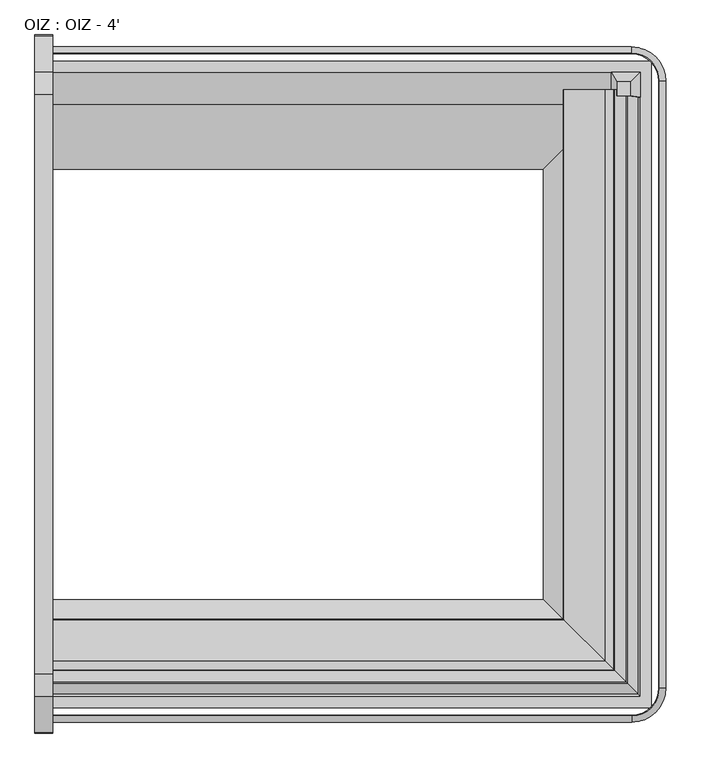
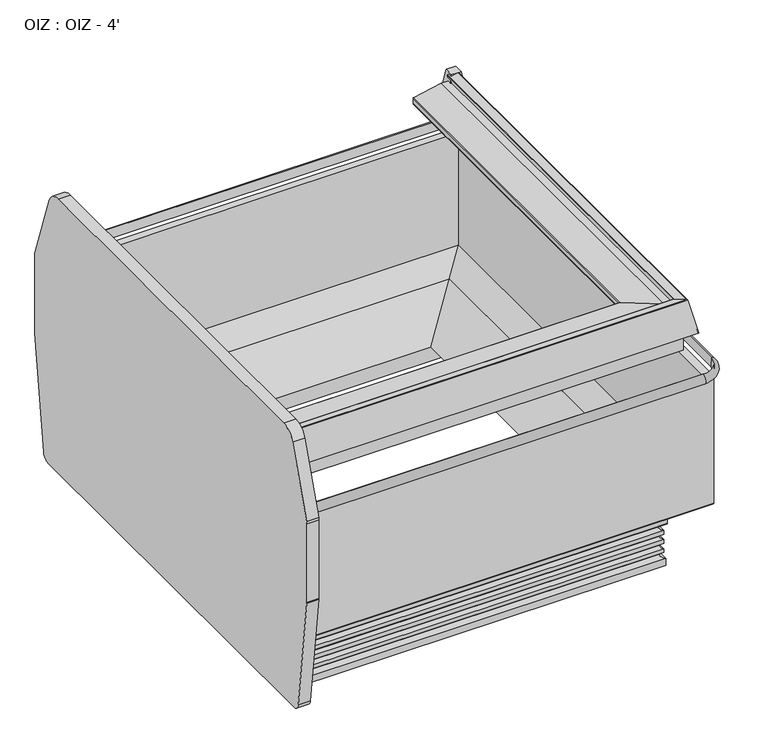
"""IFC4 building model written with IfcOpenShell, lengths in millimetres: proxy geometry, OIZ : OIZ - 4'."""

from ifc_helpers import new_model, si_unit, point, frame, frame_2d, origin, place, context, project, spatial, polyline, circle_curve, ellipse_curve, trimmed, segment, composite_curve, outline, extrude, faceted_brep, source, transform, mapped, element, save
from ifc_brep_helpers import plane_surface, cylinder_surface, revolved_surface, advanced_brep


def oiz_oiz_4_f251fb82(model_context):
    return source(origin(), model_context, "Body", "SolidModel", [
        extrude(outline(composite_curve([segment(trimmed(circle_curve(frame_2d((-348.839267, 447.3139893)), 25.4), [point((-323.439267, 447.3139893))], [point((-323.6463094, 444.0774966))], False, "CARTESIAN"), True, "CONTINUOUS"), segment(polyline([(-323.6463094, 444.0774966), (-371.1378667, 74.401771)]), True, "CONTINUOUS"), segment(trimmed(circle_curve(frame_2d((-396.3308243, 77.6382637)), 25.4), [point((-371.1378667, 74.401771))], [point((-396.3308243, 52.2382637))], False, "CARTESIAN"), True, "CONTINUOUS"), segment(polyline([(-396.3308243, 52.2382637), (-1744.0393488, 52.2382637)]), True, "CONTINUOUS"), segment(trimmed(circle_curve(frame_2d((-1744.0393488, 77.6382637)), 25.4), [point((-1744.0393488, 52.2382637))], [point((-1769.2323064, 74.401771))], False, "CARTESIAN"), True, "CONTINUOUS"), segment(polyline([(-1769.2323064, 74.401771), (-1816.7238637, 444.0774966)]), True, "CONTINUOUS"), segment(trimmed(circle_curve(frame_2d((-1791.530906, 447.3139893)), 25.4), [point((-1816.7238637, 444.0774966))], [point((-1816.930906, 447.3139893))], False, "CARTESIAN"), True, "CONTINUOUS"), segment(polyline([(-1816.930906, 447.3139893), (-1816.930906, 709.7837524)]), True, "CONTINUOUS"), segment(trimmed(circle_curve(frame_2d((-1791.530906, 709.7837524)), 25.4), [point((-1816.930906, 709.7837524))], [point((-1815.4781786, 718.2506372))], False, "CARTESIAN"), True, "CONTINUOUS"), segment(polyline([(-1815.4781786, 718.2506372), (-1737.902464, 937.6615333)]), True, "CONTINUOUS"), segment(trimmed(circle_curve(frame_2d((-1690.007919, 920.7277637)), 50.8), [point((-1737.902464, 937.6615333))], [point((-1690.007919, 971.5277637))], False, "CARTESIAN"), True, "CONTINUOUS"), segment(polyline([(-1690.007919, 971.5277637), (-450.3622541, 971.5277637)]), True, "CONTINUOUS"), segment(trimmed(circle_curve(frame_2d((-450.3622541, 920.7277637)), 50.8), [point((-450.3622541, 971.5277637))], [point((-402.467709, 937.6615333))], False, "CARTESIAN"), True, "CONTINUOUS"), segment(polyline([(-402.467709, 937.6615333), (-324.8919945, 718.2506372)]), True, "CONTINUOUS"), segment(trimmed(circle_curve(frame_2d((-348.839267, 709.7837524)), 25.4), [point((-324.8919945, 718.2506372))], [point((-323.439267, 709.7837524))], False, "CARTESIAN"), True, "CONTINUOUS"), segment(polyline([(-323.439267, 709.7837524), (-323.439267, 447.3139893)]), True, "CONTINUOUS")], self_intersect=False)), frame((-38.1, 0.0, 0.0), z_axis=(1.0, 0.0, 0.0), x_axis=(0.0, 1.0, 0.0)), (0.0, 0.0, 1.0), 38.1),
        faceted_brep([(1237.92346, -453.3410498, 953.5924566), (1237.92346, -423.9461673, 953.5924566), (1207.2527577, -423.9461673, 953.5924566), (1207.2527577, -453.3410498, 953.5924566), (1258.100354, -456.3510322, 847.1075065), (1195.4734801, -456.3510322, 847.1075065), (1195.4734801, -403.7692733, 847.1075065), (1258.100354, -403.7692733, 847.1075065)], [[[0, 1, 2, 3]], [[4, 5, 6, 7]], [[5, 4, 0, 3]], [[6, 5, 3, 2]], [[7, 6, 2, 1]], [[4, 7, 1, 0]]]),
        advanced_brep(
        [(0.0, -1669.8693202, 193.2181695), (0.0, -1669.8693202, 286.9854386), (0.0, -1531.4154874, 190.7162695), (0.0, -1667.3674202, 190.7162695), (1189.0996929, -1669.8693202, 193.2181695), (1189.0996929, -1669.8693202, 286.9854386), (1050.6458601, -1531.4154874, 190.7162695), (1050.6458601, -611.2237672, 190.7162695), (0.0, -611.2237672, 190.7162695), (0.0, -475.2718344, 190.7162695), (1186.5977929, -475.2718344, 190.7162695), (1186.5977929, -1667.3674202, 190.7162695), (1189.0996929, -472.7699344, 193.2181695), (1189.0996929, -472.7699344, 286.9854386), (0.0, -472.7699344, 193.2181695), (0.0, -472.7699344, 286.9854386)],
        [
            (0, 1),
            (1, 2),
            (2, 3),
            (3, 0, circle_curve(frame((0.0, -1667.3674202, 193.2181695), z_axis=(-1.0, 0.0, 0.0), x_axis=(0.0, 1.0, 0.0)), 2.5019)),
            (0, 4),
            (4, 5),
            (5, 1),
            (5, 6),
            (6, 2),
            (6, 7),
            (7, 8),
            (8, 9),
            (9, 10),
            (10, 11),
            (11, 3),
            (11, 4, ellipse_curve(frame((1186.5977929, -1667.3674202, 193.2181695), z_axis=(-0.7071067811865475, -0.7071067811865475, 0.0), x_axis=(-0.7071067811865476, 0.7071067811865474, 0.0)), 3.5382209, 2.5019)),
            (4, 12),
            (12, 13),
            (13, 5),
            (13, 7),
            (10, 12, ellipse_curve(frame((1186.5977929, -475.2718344, 193.2181695), z_axis=(0.7071067811865475, -0.7071067811865475, 0.0), x_axis=(-0.7071067811865474, -0.7071067811865476, 0.0)), 3.5382209, 2.5019)),
            (14, 9, circle_curve(frame((0.0, -475.2718344, 193.2181695), z_axis=(-1.0, 0.0, 0.0), x_axis=(0.0, -1.0, 0.0)), 2.5019)),
            (8, 15),
            (15, 14),
            (12, 14),
            (15, 13),
        ],
        [
            plane_surface(frame((0.0, -1793.6321273, 50.2442522), z_axis=(-1.0, 0.0, 0.0), x_axis=(0.0, 0.0, 1.0))),
            plane_surface(frame((0.0, -1669.8693202, 193.2181695), z_axis=(0.0, -1.0, 0.0), x_axis=(1.0, 0.0, 0.0))),
            plane_surface(frame((0.0, -1669.8693202, 286.9854386), z_axis=(0.0, 0.5708784896060812, 0.8210345608469107), x_axis=(1.0, 0.0, 0.0))),
            plane_surface(frame((0.0, -1531.4154874, 190.7162695), z_axis=(0.0, 0.0, -1.0), x_axis=(1.0, 0.0, 0.0))),
            cylinder_surface(frame((0.0, -1667.3674202, 193.2181695), z_axis=(-1.0, 0.0, 0.0), x_axis=(0.0, 1.0, 0.0)), 2.5019),
            plane_surface(frame((1189.0996929, -1669.8693202, 193.2181695), z_axis=(1.0, 0.0, 0.0), x_axis=(0.0, 1.0, 0.0))),
            plane_surface(frame((1189.0996929, -1669.8693202, 286.9854386), z_axis=(-0.5708784896060812, 0.0, 0.8210345608469107), x_axis=(0.0, 1.0, 0.0))),
            cylinder_surface(frame((1186.5977929, -1793.6321273, 193.2181695), z_axis=(0.0, -1.0, 0.0), x_axis=(-1.0, 0.0, 0.0)), 2.5019),
            plane_surface(frame((0.0, -349.0071273, 50.2442522), z_axis=(-1.0, 0.0, 0.0), x_axis=(0.0, 0.0, 1.0))),
            plane_surface(frame((1189.0996929, -472.7699344, 193.2181695), z_axis=(0.0, 1.0, 0.0), x_axis=(-1.0, 0.0, 0.0))),
            plane_surface(frame((1189.0996929, -472.7699344, 286.9854386), z_axis=(0.0, -0.5708784896060812, 0.8210345608469107), x_axis=(-1.0, 0.0, 0.0))),
            cylinder_surface(frame((1312.8625, -475.2718344, 193.2181695), z_axis=(1.0, 0.0, 0.0), x_axis=(0.0, -1.0, 0.0)), 2.5019),
        ],
        [
            (0, [[1, 2, 3, 4]]),
            (1, [[-1, 5, 6, 7]]),
            (2, [[-2, -7, 8, 9]]),
            (3, [[-3, -9, 10, 11, 12, 13, 14, 15]]),
            (4, [[-4, -15, 16, -5]]),
            (5, [[-6, 17, 18, 19]]),
            (6, [[-8, -19, 20, -10]]),
            (7, [[-16, -14, 21, -17]]),
            (8, [[22, -12, 23, 24]]),
            (9, [[-18, 25, -24, 26]]),
            (10, [[-20, -26, -23, -11]]),
            (11, [[-21, -13, -22, -25]]),
        ],
    ),
        advanced_brep(
        [(0.0, -1710.6553219, 952.3854544), (0.0, -1708.7724527, 953.6082039), (0.0, -1683.8365698, 948.3079183), (0.0, -1682.6332223, 946.3442338), (0.0, -1688.022385, 926.2316048), (0.0, -1663.5888176, 926.3067225), (0.0, -1575.6167929, 908.9805251), (0.0, -1573.5578746, 906.3399769), (0.0, -1574.5393697, 888.1365545), (0.0, -1577.0350289, 885.8112569), (0.0, -1604.3477708, 885.8112569), (0.0, -1604.3477708, 889.9006569), (0.0, -1614.6221651, 889.9006569), (0.0, -1616.3175828, 891.816978), (0.0, -1616.1100713, 893.5070234), (0.0, -1616.801171, 894.3915907), (0.0, -1640.5558215, 897.308295), (0.0, -1641.4140296, 896.7445061), (0.0, -1658.1223173, 839.957012), (0.0, -1659.76101, 838.731006), (0.0, -1699.7349313, 838.731006), (0.0, -1700.5286813, 837.937256), (0.0, -1700.5286813, 782.3984294), (0.0, -1701.7478813, 782.3984294), (0.0, -1701.7478813, 941.6913504), (0.0, -1710.5187202, 941.6913504), (0.0, -1730.6231369, 847.1075065), (0.0, -1733.0328405, 847.1075065), (1229.8856946, -1710.6553219, 952.3854544), (1228.0028254, -1708.7724527, 953.6082039), (1203.0669425, -1683.8365698, 948.3079183), (1201.863595, -1682.6332223, 946.3442338), (1207.2527577, -1688.022385, 926.2316048), (1182.8191903, -1663.5888176, 926.3067225), (1094.8471656, -1575.6167929, 908.9805251), (1092.7882473, -1573.5578746, 906.3399769), (1093.7697424, -1574.5393697, 888.1365545), (1096.2654016, -1577.0350289, 885.8112569), (1096.2654016, -441.0821273, 885.8112569), (1123.5781435, -441.0821273, 885.8112569), (1123.5781435, -1604.3477708, 885.8112569), (1123.5781435, -1604.3477708, 889.9006569), (1123.5781435, -441.0821273, 889.9006569), (1133.8525378, -441.0821273, 889.9006569), (1133.8525378, -1614.6221651, 889.9006569), (1135.5479555, -1616.3175828, 891.816978), (1135.340444, -1616.1100713, 893.5070234), (1136.0315437, -1616.801171, 894.3915907), (1159.7861942, -1640.5558215, 897.308295), (1160.6444023, -1641.4140296, 896.7445061), (1177.35269, -1658.1223173, 839.957012), (1178.9913827, -1659.76101, 838.731006), (1178.9913827, -441.0821273, 838.731006), (1218.965304, -441.0821273, 838.731006), (1218.965304, -1699.7349313, 838.731006), (1219.759054, -1700.5286813, 837.937256), (1219.759054, -1700.5286813, 782.3984294), (1219.759054, -441.0821273, 782.3984294), (1220.978254, -441.0821273, 782.3984294), (1220.978254, -1701.7478813, 782.3984294), (1220.978254, -1701.7478813, 941.6913504), (1220.978254, -441.0821273, 941.6913504), (1229.7490929, -441.0821273, 941.6913504), (1229.7490929, -1710.5187202, 941.6913504), (1249.8535096, -1730.6231369, 847.1075065), (1249.8535096, -441.0821273, 847.1075065), (1252.2632132, -441.0821273, 847.1075065), (1252.2632132, -1733.0328405, 847.1075065), (1229.8856946, -441.0821273, 952.3854544), (1228.0028254, -441.0821273, 953.6082039), (1203.0669425, -441.0821273, 948.3079183), (1201.863595, -441.0821273, 946.3442338), (1207.2527577, -441.0821273, 926.2316048), (1182.8191903, -441.0821273, 926.3067225), (1094.8471656, -441.0821273, 908.9805251), (1092.7882473, -441.0821273, 906.3399769), (1093.7697424, -441.0821273, 888.1365545), (1135.5479555, -441.0821273, 891.816978), (1135.340444, -441.0821273, 893.5070234), (1136.0315437, -441.0821273, 894.3915907), (1159.7861942, -441.0821273, 897.308295), (1160.6444023, -441.0821273, 896.7445061), (1177.35269, -441.0821273, 839.957012), (1219.759054, -441.0821273, 837.937256)],
        [
            (0, 1, circle_curve(frame((0.0, -1709.1025125, 952.0553946), z_axis=(-1.0, 0.0, 0.0), x_axis=(0.0, 1.0, 0.0)), 1.5875)),
            (1, 2),
            (2, 3, circle_curve(frame((0.0, -1684.1666296, 946.755109), z_axis=(-1.0, 0.0, 0.0), x_axis=(0.0, 1.0, 0.0)), 1.5875)),
            (3, 4),
            (4, 5),
            (5, 6),
            (6, 7, circle_curve(frame((0.0, -1576.1044792, 906.4772852), z_axis=(-1.0, 0.0, 0.0), x_axis=(0.0, 1.0, 0.0)), 2.5503035)),
            (7, 8),
            (8, 9, circle_curve(frame((0.0, -1577.0350289, 888.3131569), z_axis=(-1.0, 0.0, 0.0), x_axis=(0.0, 1.0, 0.0)), 2.5019)),
            (9, 10),
            (10, 11),
            (11, 12),
            (12, 13, circle_curve(frame((0.0, -1614.6221651, 891.6088069), z_axis=(-1.0, 0.0, 0.0), x_axis=(0.0, 1.0, 0.0)), 1.70815)),
            (13, 14),
            (14, 15, circle_curve(frame((0.0, -1616.8979048, 893.6037572), z_axis=(1.0, 0.0, 0.0), x_axis=(0.0, 1.0, 0.0)), 0.79375)),
            (15, 16),
            (16, 17, circle_curve(frame((0.0, -1640.6525553, 896.5204615), z_axis=(1.0, 0.0, 0.0), x_axis=(0.0, 1.0, 0.0)), 0.79375)),
            (17, 18),
            (18, 19, circle_curve(frame((0.0, -1659.76101, 840.439156), z_axis=(-1.0, 0.0, 0.0), x_axis=(0.0, 1.0, 0.0)), 1.70815)),
            (19, 20),
            (20, 21, circle_curve(frame((0.0, -1699.7349313, 837.937256), z_axis=(1.0, 0.0, 0.0), x_axis=(0.0, 1.0, 0.0)), 0.79375)),
            (21, 22),
            (22, 23),
            (23, 24),
            (24, 25),
            (25, 26),
            (26, 27),
            (27, 0),
            (0, 28),
            (28, 29, ellipse_curve(frame((1228.3328852, -1709.1025125, 952.0553946), z_axis=(-0.7071067811865475, -0.7071067811865475, 0.0), x_axis=(-0.7071067811865476, 0.7071067811865474, 0.0)), 2.245064, 1.5875)),
            (29, 1),
            (29, 30),
            (30, 2),
            (30, 31, ellipse_curve(frame((1203.3970023, -1684.1666296, 946.755109), z_axis=(-0.7071067811865475, -0.7071067811865475, 0.0), x_axis=(-0.7071067811865476, 0.7071067811865474, 0.0)), 2.245064, 1.5875)),
            (31, 3),
            (31, 32),
            (32, 4),
            (32, 33),
            (33, 5),
            (33, 34),
            (34, 6),
            (34, 35, ellipse_curve(frame((1095.3348519, -1576.1044792, 906.4772852), z_axis=(-0.7071067811865475, -0.7071067811865475, 0.0), x_axis=(-0.7071067811865476, 0.7071067811865474, 0.0)), 3.6066739, 2.5503035)),
            (35, 7),
            (35, 36),
            (36, 8),
            (36, 37, ellipse_curve(frame((1096.2654016, -1577.0350289, 888.3131569), z_axis=(-0.7071067811865475, -0.7071067811865475, 0.0), x_axis=(-0.7071067811865476, 0.7071067811865474, 0.0)), 3.5382209, 2.5019)),
            (37, 9),
            (37, 38),
            (38, 39),
            (39, 40),
            (40, 10),
            (40, 41),
            (41, 11),
            (41, 42),
            (42, 43),
            (43, 44),
            (44, 12),
            (44, 45, ellipse_curve(frame((1133.8525378, -1614.6221651, 891.6088069), z_axis=(-0.7071067811865475, -0.7071067811865475, 0.0), x_axis=(-0.7071067811865476, 0.7071067811865474, 0.0)), 2.4156889, 1.70815)),
            (45, 13),
            (45, 46),
            (46, 14),
            (46, 47, ellipse_curve(frame((1136.1282775, -1616.8979048, 893.6037572), z_axis=(0.7071067811865475, 0.7071067811865475, 0.0), x_axis=(0.7071067811865476, -0.7071067811865474, 0.0)), 1.122532, 0.79375)),
            (47, 15),
            (47, 48),
            (48, 16),
            (48, 49, ellipse_curve(frame((1159.882928, -1640.6525553, 896.5204615), z_axis=(0.7071067811865475, 0.7071067811865475, 0.0), x_axis=(0.7071067811865476, -0.7071067811865474, 0.0)), 1.122532, 0.79375)),
            (49, 17),
            (49, 50),
            (50, 18),
            (50, 51, ellipse_curve(frame((1178.9913827, -1659.76101, 840.439156), z_axis=(-0.7071067811865475, -0.7071067811865475, 0.0), x_axis=(-0.7071067811865476, 0.7071067811865474, 0.0)), 2.4156889, 1.70815)),
            (51, 19),
            (51, 52),
            (52, 53),
            (53, 54),
            (54, 20),
            (54, 55, ellipse_curve(frame((1218.965304, -1699.7349313, 837.937256), z_axis=(0.7071067811865475, 0.7071067811865475, 0.0), x_axis=(0.7071067811865476, -0.7071067811865474, 0.0)), 1.122532, 0.79375)),
            (55, 21),
            (55, 56),
            (56, 22),
            (56, 57),
            (57, 58),
            (58, 59),
            (59, 23),
            (59, 60),
            (60, 24),
            (60, 61),
            (61, 62),
            (62, 63),
            (63, 25),
            (63, 64),
            (64, 26),
            (64, 65),
            (65, 66),
            (66, 67),
            (67, 27),
            (67, 28),
            (28, 68),
            (68, 69, circle_curve(frame((1228.3328852, -441.0821273, 952.0553946), z_axis=(0.0, -1.0, 0.0), x_axis=(-1.0, 0.0, 0.0)), 1.5875)),
            (69, 29),
            (69, 70),
            (70, 30),
            (70, 71, circle_curve(frame((1203.3970023, -441.0821273, 946.755109), z_axis=(0.0, -1.0, 0.0), x_axis=(-1.0, 0.0, 0.0)), 1.5875)),
            (71, 31),
            (71, 72),
            (72, 32),
            (72, 73),
            (73, 33),
            (73, 74),
            (74, 34),
            (74, 75, circle_curve(frame((1095.3348519, -441.0821273, 906.4772852), z_axis=(0.0, -1.0, 0.0), x_axis=(-1.0, 0.0, 0.0)), 2.5503035)),
            (75, 35),
            (75, 76),
            (76, 36),
            (76, 38, circle_curve(frame((1096.2654016, -441.0821273, 888.3131569), z_axis=(0.0, -1.0, 0.0), x_axis=(-1.0, 0.0, 0.0)), 2.5019)),
            (39, 42),
            (43, 77, circle_curve(frame((1133.8525378, -441.0821273, 891.6088069), z_axis=(0.0, -1.0, 0.0), x_axis=(-1.0, 0.0, 0.0)), 1.70815)),
            (77, 45),
            (77, 78),
            (78, 46),
            (78, 79, circle_curve(frame((1136.1282775, -441.0821273, 893.6037572), z_axis=(0.0, 1.0, 0.0), x_axis=(-1.0, 0.0, 0.0)), 0.79375)),
            (79, 47),
            (79, 80),
            (80, 48),
            (80, 81, circle_curve(frame((1159.882928, -441.0821273, 896.5204615), z_axis=(0.0, 1.0, 0.0), x_axis=(-1.0, 0.0, 0.0)), 0.79375)),
            (81, 49),
            (81, 82),
            (82, 50),
            (82, 52, circle_curve(frame((1178.9913827, -441.0821273, 840.439156), z_axis=(0.0, -1.0, 0.0), x_axis=(-1.0, 0.0, 0.0)), 1.70815)),
            (53, 83, circle_curve(frame((1218.965304, -441.0821273, 837.937256), z_axis=(0.0, 1.0, 0.0), x_axis=(-1.0, 0.0, 0.0)), 0.79375)),
            (83, 55),
            (83, 57),
            (58, 61),
            (62, 65),
            (66, 68),
        ],
        [
            plane_surface(frame((0.0, -1793.6321273, 50.2442522), z_axis=(-1.0, 0.0, 0.0), x_axis=(0.0, 0.0, 1.0))),
            cylinder_surface(frame((0.0, -1709.1025125, 952.0553946), z_axis=(-1.0, 0.0, 0.0), x_axis=(0.0, 1.0, 0.0)), 1.5875),
            plane_surface(frame((0.0, -1708.7724527, 953.6082039), z_axis=(0.0, 0.20791169079971766, 0.9781476007376406), x_axis=(1.0, 0.0, 0.0))),
            cylinder_surface(frame((0.0, -1684.1666296, 946.755109), z_axis=(-1.0, 0.0, 0.0), x_axis=(0.0, 1.0, 0.0)), 1.5875),
            plane_surface(frame((0.0, -1682.6332223, 946.3442338), z_axis=(0.0, 0.9659258262938488, -0.2588190450846796), x_axis=(1.0, 0.0, 0.0))),
            plane_surface(frame((0.0, -1688.022385, 926.2316048), z_axis=(0.0, -0.0030743536510213663, 0.9999952741636475), x_axis=(1.0, 0.0, 0.0))),
            plane_surface(frame((0.0, -1663.5888176, 926.3067225), z_axis=(0.0, 0.19323902458189599, 0.9811517106842537), x_axis=(1.0, 0.0, 0.0))),
            cylinder_surface(frame((0.0, -1576.1044792, 906.4772852), z_axis=(-1.0, 0.0, 0.0), x_axis=(0.0, 1.0, 0.0)), 2.5503035),
            plane_surface(frame((0.0, -1573.5578746, 906.3399769), z_axis=(0.0, 0.9985495777719585, -0.05383995478678839), x_axis=(1.0, 0.0, 0.0))),
            cylinder_surface(frame((0.0, -1577.0350289, 888.3131569), z_axis=(-1.0, 0.0, 0.0), x_axis=(0.0, 1.0, 0.0)), 2.5019),
            plane_surface(frame((0.0, -1577.0350289, 885.8112569), z_axis=(0.0, 0.0, -1.0), x_axis=(1.0, 0.0, 0.0))),
            plane_surface(frame((0.0, -1604.3477708, 885.8112569), z_axis=(0.0, -1.0, 0.0), x_axis=(1.0, 0.0, 0.0))),
            plane_surface(frame((0.0, -1604.3477708, 889.9006569), z_axis=(0.0, 0.0, -1.0), x_axis=(1.0, 0.0, 0.0))),
            cylinder_surface(frame((0.0, -1614.6221651, 891.6088069), z_axis=(-1.0, 0.0, 0.0), x_axis=(0.0, 1.0, 0.0)), 1.70815),
            plane_surface(frame((0.0, -1616.3175828, 891.816978), z_axis=(0.0, -0.9925461516413417, 0.12186934340498758), x_axis=(1.0, 0.0, 0.0))),
            revolved_surface(polyline([(1136.922027489299, -1616.1041548, 893.6037572), (0.0, -1616.1041548, 893.6037572)]), (0.0, -1616.8979048, 893.6037572), (1.0, 0.0, 0.0)),
            plane_surface(frame((0.0, -1616.801171, 894.3915907), z_axis=(0.0, -0.1218693434051119, -0.9925461516413264), x_axis=(1.0, 0.0, 0.0))),
            revolved_surface(polyline([(1160.676677989299, -1639.8588052999999, 896.5204615), (0.0, -1639.8588052999999, 896.5204615)]), (0.0, -1640.6525553, 896.5204615), (1.0, 0.0, 0.0)),
            plane_surface(frame((0.0, -1641.4140296, 896.7445061), z_axis=(0.0, 0.9593376760614901, -0.28226091349837923), x_axis=(1.0, 0.0, 0.0))),
            cylinder_surface(frame((0.0, -1659.76101, 840.439156), z_axis=(-1.0, 0.0, 0.0), x_axis=(0.0, 1.0, 0.0)), 1.70815),
            plane_surface(frame((0.0, -1659.76101, 838.731006), z_axis=(0.0, 0.0, -1.0), x_axis=(1.0, 0.0, 0.0))),
            revolved_surface(polyline([(1219.759054, -1698.9411813, 837.937256), (0.0, -1698.9411813, 837.937256)]), (0.0, -1699.7349313, 837.937256), (1.0, 0.0, 0.0)),
            plane_surface(frame((0.0, -1700.5286813, 837.937256), z_axis=(0.0, 1.0, 0.0), x_axis=(1.0, 0.0, 0.0))),
            plane_surface(frame((0.0, -1700.5286813, 782.3984294), z_axis=(0.0, 0.0, -1.0), x_axis=(1.0, 0.0, 0.0))),
            plane_surface(frame((0.0, -1701.7478813, 782.3984294), z_axis=(0.0, -1.0, 0.0), x_axis=(1.0, 0.0, 0.0))),
            plane_surface(frame((0.0, -1701.7478813, 941.6913504), z_axis=(0.0, 0.0, -1.0), x_axis=(1.0, 0.0, 0.0))),
            plane_surface(frame((0.0, -1710.5187202, 941.6913504), z_axis=(0.0, 0.9781476007338412, -0.20791169081759206), x_axis=(1.0, 0.0, 0.0))),
            plane_surface(frame((0.0, -1730.6231369, 847.1075065), z_axis=(0.0, 0.0, -1.0), x_axis=(1.0, 0.0, 0.0))),
            plane_surface(frame((0.0, -1733.0328405, 847.1075065), z_axis=(0.0, -0.9781476007338418, 0.20791169081758964), x_axis=(1.0, 0.0, 0.0))),
            cylinder_surface(frame((1228.3328852, -1793.6321273, 952.0553946), z_axis=(0.0, -1.0, 0.0), x_axis=(-1.0, 0.0, 0.0)), 1.5875),
            plane_surface(frame((1228.0028254, -1708.7724527, 953.6082039), z_axis=(-0.20791169079971766, 0.0, 0.9781476007376406), x_axis=(0.0, 1.0, 0.0))),
            cylinder_surface(frame((1203.3970023, -1793.6321273, 946.755109), z_axis=(0.0, -1.0, 0.0), x_axis=(-1.0, 0.0, 0.0)), 1.5875),
            plane_surface(frame((1201.863595, -1682.6332223, 946.3442338), z_axis=(-0.9659258262938488, 0.0, -0.2588190450846796), x_axis=(0.0, 1.0, 0.0))),
            plane_surface(frame((1207.2527577, -1688.022385, 926.2316048), z_axis=(0.0030743536510213663, 0.0, 0.9999952741636475), x_axis=(0.0, 1.0, 0.0))),
            plane_surface(frame((1182.8191903, -1663.5888176, 926.3067225), z_axis=(-0.19323902458189599, 0.0, 0.9811517106842537), x_axis=(0.0, 1.0, 0.0))),
            cylinder_surface(frame((1095.3348519, -1793.6321273, 906.4772852), z_axis=(0.0, -1.0, 0.0), x_axis=(-1.0, 0.0, 0.0)), 2.5503035),
            plane_surface(frame((1092.7882473, -1573.5578746, 906.3399769), z_axis=(-0.9985495777719585, 0.0, -0.05383995478678839), x_axis=(0.0, 1.0, 0.0))),
            cylinder_surface(frame((1096.2654016, -1793.6321273, 888.3131569), z_axis=(0.0, -1.0, 0.0), x_axis=(-1.0, 0.0, 0.0)), 2.5019),
            plane_surface(frame((1123.5781435, -1604.3477708, 885.8112569), z_axis=(1.0, 0.0, 0.0), x_axis=(0.0, 1.0, 0.0))),
            cylinder_surface(frame((1133.8525378, -1793.6321273, 891.6088069), z_axis=(0.0, -1.0, 0.0), x_axis=(-1.0, 0.0, 0.0)), 1.70815),
            plane_surface(frame((1135.5479555, -1616.3175828, 891.816978), z_axis=(0.9925461516413417, 0.0, 0.12186934340498758), x_axis=(0.0, 1.0, 0.0))),
            revolved_surface(polyline([(1135.3345275, -441.0821272999999, 893.6037572), (1135.3345275, -1617.691654789299, 893.6037572)]), (1136.1282775, -1793.6321273, 893.6037572), (0.0, 1.0, 0.0)),
            plane_surface(frame((1136.0315437, -1616.801171, 894.3915907), z_axis=(0.1218693434051119, 0.0, -0.9925461516413264), x_axis=(0.0, 1.0, 0.0))),
            revolved_surface(polyline([(1159.089178, -441.0821272999999, 896.5204615), (1159.089178, -1641.4463052892988, 896.5204615)]), (1159.882928, -1793.6321273, 896.5204615), (0.0, 1.0, 0.0)),
            plane_surface(frame((1160.6444023, -1641.4140296, 896.7445061), z_axis=(-0.9593376760614901, 0.0, -0.28226091349837923), x_axis=(0.0, 1.0, 0.0))),
            cylinder_surface(frame((1178.9913827, -1793.6321273, 840.439156), z_axis=(0.0, -1.0, 0.0), x_axis=(-1.0, 0.0, 0.0)), 1.70815),
            revolved_surface(polyline([(1218.171554, -441.0821272999999, 837.937256), (1218.171554, -1700.5286813, 837.937256)]), (1218.965304, -1793.6321273, 837.937256), (0.0, 1.0, 0.0)),
            plane_surface(frame((1219.759054, -1700.5286813, 837.937256), z_axis=(-1.0, 0.0, 0.0), x_axis=(0.0, 1.0, 0.0))),
            plane_surface(frame((1220.978254, -1701.7478813, 782.3984294), z_axis=(1.0, 0.0, 0.0), x_axis=(0.0, 1.0, 0.0))),
            plane_surface(frame((1229.7490929, -1710.5187202, 941.6913504), z_axis=(-0.9781476007338412, 0.0, -0.20791169081759206), x_axis=(0.0, 1.0, 0.0))),
            plane_surface(frame((1252.2632132, -1733.0328405, 847.1075065), z_axis=(0.9781476007338418, 0.0, 0.20791169081758964), x_axis=(0.0, 1.0, 0.0))),
            plane_surface(frame((1312.8625, -441.0821273, 50.2442522), z_axis=(0.0, 1.0, 0.0), x_axis=(0.0, 0.0, 1.0))),
        ],
        [
            (0, [[1, 2, 3, 4, 5, 6, 7, 8, 9, 10, 11, 12, 13, 14, 15, 16, 17, 18, 19, 20, 21, 22, 23, 24, 25, 26, 27, 28]]),
            (1, [[-1, 29, 30, 31]]),
            (2, [[-2, -31, 32, 33]]),
            (3, [[-3, -33, 34, 35]]),
            (4, [[-4, -35, 36, 37]]),
            (5, [[-5, -37, 38, 39]]),
            (6, [[-6, -39, 40, 41]]),
            (7, [[-7, -41, 42, 43]]),
            (8, [[-8, -43, 44, 45]]),
            (9, [[-9, -45, 46, 47]]),
            (10, [[-10, -47, 48, 49, 50, 51]]),
            (11, [[-11, -51, 52, 53]]),
            (12, [[-12, -53, 54, 55, 56, 57]]),
            (13, [[-13, -57, 58, 59]]),
            (14, [[-14, -59, 60, 61]]),
            (15, [[-15, -61, 62, 63]]),
            (16, [[-16, -63, 64, 65]]),
            (17, [[-17, -65, 66, 67]]),
            (18, [[-18, -67, 68, 69]]),
            (19, [[-19, -69, 70, 71]]),
            (20, [[-20, -71, 72, 73, 74, 75]]),
            (21, [[-21, -75, 76, 77]]),
            (22, [[-22, -77, 78, 79]]),
            (23, [[-23, -79, 80, 81, 82, 83]]),
            (24, [[-24, -83, 84, 85]]),
            (25, [[-25, -85, 86, 87, 88, 89]]),
            (26, [[-26, -89, 90, 91]]),
            (27, [[-27, -91, 92, 93, 94, 95]]),
            (28, [[-28, -95, 96, -29]]),
            (29, [[-30, 97, 98, 99]]),
            (30, [[-32, -99, 100, 101]]),
            (31, [[-34, -101, 102, 103]]),
            (32, [[-36, -103, 104, 105]]),
            (33, [[-38, -105, 106, 107]]),
            (34, [[-40, -107, 108, 109]]),
            (35, [[-42, -109, 110, 111]]),
            (36, [[-44, -111, 112, 113]]),
            (37, [[-46, -113, 114, -48]]),
            (38, [[-52, -50, 115, -54]]),
            (39, [[-58, -56, 116, 117]]),
            (40, [[-60, -117, 118, 119]]),
            (41, [[-62, -119, 120, 121]]),
            (42, [[-64, -121, 122, 123]]),
            (43, [[-66, -123, 124, 125]]),
            (44, [[-68, -125, 126, 127]]),
            (45, [[-70, -127, 128, -72]]),
            (46, [[-76, -74, 129, 130]]),
            (47, [[-78, -130, 131, -80]]),
            (48, [[-84, -82, 132, -86]]),
            (49, [[-90, -88, 133, -92]]),
            (50, [[-96, -94, 134, -97]]),
            (51, [[-134, -93, -133, -87, -132, -81, -131, -129, -73, -128, -126, -124, -122, -120, -118, -116, -55, -115, -49, -114, -112, -110, -108, -106, -104, -102, -100, -98]]),
        ],
    ),
        advanced_brep(
        [(0.0, -1644.8482048, 52.2382637), (0.0, -1667.0118202, 52.2382637), (0.0, -1667.0118202, 74.5283346), (0.0, -1653.3940173, 84.1356475), (0.0, -1650.5792308, 93.1430848), (0.0, -1662.5360154, 93.1430848), (0.0, -1662.5360154, 105.8430848), (0.0, -1653.3940173, 115.1078306), (0.0, -1650.5792308, 124.1152679), (0.0, -1662.5360154, 124.1152679), (0.0, -1662.5360154, 136.8152679), (0.0, -1653.3940173, 146.0800137), (0.0, -1650.5469277, 155.0876379), (0.0, -1662.5360154, 155.0876379), (0.0, -1662.5360154, 167.7876379), (0.0, -1649.9049202, 180.487451), (0.0, -1649.9049202, 190.7162695), (0.0, -1644.8482048, 190.7162695), (1164.0785775, -1644.8482048, 52.2382637), (1164.0785775, -497.7910498, 52.2382637), (0.0, -497.7910498, 52.2382637), (0.0, -475.6274344, 52.2382637), (1186.2421929, -475.6274344, 52.2382637), (1186.2421929, -1667.0118202, 52.2382637), (1186.2421929, -1667.0118202, 74.5283346), (1172.62439, -1653.3940173, 84.1356475), (1169.8096035, -1650.5792308, 93.1430848), (1169.8096035, -492.0600238, 93.1430848), (0.0, -492.0600238, 93.1430848), (0.0, -480.1032392, 93.1430848), (1181.7663881, -480.1032392, 93.1430848), (1181.7663881, -1662.5360154, 93.1430848), (1181.7663881, -1662.5360154, 105.8430848), (1172.62439, -1653.3940173, 115.1078306), (1169.8096035, -1650.5792308, 124.1152679), (1169.8096035, -492.0600238, 124.1152679), (0.0, -492.0600238, 124.1152679), (0.0, -480.1032392, 124.1152679), (1181.7663881, -480.1032392, 124.1152679), (1181.7663881, -1662.5360154, 124.1152679), (1181.7663881, -1662.5360154, 136.8152679), (1172.62439, -1653.3940173, 146.0800137), (1169.7773004, -1650.5469277, 155.0876379), (1169.7773004, -492.0923269, 155.0876379), (0.0, -492.0923269, 155.0876379), (0.0, -480.1032392, 155.0876379), (1181.7663881, -480.1032392, 155.0876379), (1181.7663881, -1662.5360154, 155.0876379), (1181.7663881, -1662.5360154, 167.7876379), (1169.1352929, -1649.9049202, 180.487451), (1169.1352929, -1649.9049202, 190.7162695), (1169.1352929, -492.7343344, 190.7162695), (0.0, -492.7343344, 190.7162695), (0.0, -497.7910498, 190.7162695), (1164.0785775, -497.7910498, 190.7162695), (1164.0785775, -1644.8482048, 190.7162695), (1186.2421929, -475.6274344, 74.5283346), (1172.62439, -489.2452373, 84.1356475), (1181.7663881, -480.1032392, 105.8430848), (1172.62439, -489.2452373, 115.1078306), (1181.7663881, -480.1032392, 136.8152679), (1172.62439, -489.2452373, 146.0800137), (1181.7663881, -480.1032392, 167.7876379), (1169.1352929, -492.7343344, 180.487451), (0.0, -492.7343344, 180.487451), (0.0, -480.1032392, 167.7876379), (0.0, -489.2452373, 146.0800137), (0.0, -480.1032392, 136.8152679), (0.0, -489.2452373, 115.1078306), (0.0, -480.1032392, 105.8430848), (0.0, -489.2452373, 84.1356475), (0.0, -475.6274344, 74.5283346)],
        [
            (0, 1),
            (1, 2),
            (2, 3, circle_curve(frame((0.0, -1666.4759966, 88.2237114), z_axis=(1.0, 0.0, 0.0), x_axis=(0.0, 1.0, 0.0)), 13.7058546)),
            (3, 4),
            (4, 5),
            (5, 6),
            (6, 7, circle_curve(frame((0.0, -1666.9538832, 119.345232), z_axis=(1.0, 0.0, 0.0), x_axis=(0.0, 1.0, 0.0)), 14.2065314)),
            (7, 8),
            (8, 9),
            (9, 10),
            (10, 11, circle_curve(frame((0.0, -1667.0262586, 150.3888315), z_axis=(1.0, 0.0, 0.0), x_axis=(0.0, 1.0, 0.0)), 14.2969897)),
            (11, 12),
            (12, 13),
            (13, 14),
            (14, 15, circle_curve(frame((0.0, -1662.6049202, 180.487451), z_axis=(1.0, 0.0, 0.0), x_axis=(0.0, 1.0, 0.0)), 12.7)),
            (15, 16),
            (16, 17),
            (17, 0),
            (0, 18),
            (18, 19),
            (19, 20),
            (20, 21),
            (21, 22),
            (22, 23),
            (23, 1),
            (23, 24),
            (24, 2),
            (24, 25, ellipse_curve(frame((1185.7063693, -1666.4759966, 88.2237114), z_axis=(0.7071067811865475, 0.7071067811865475, 0.0), x_axis=(0.7071067811865476, -0.7071067811865474, 0.0)), 19.3830055, 13.7058546)),
            (25, 3),
            (25, 26),
            (26, 4),
            (26, 27),
            (27, 28),
            (28, 29),
            (29, 30),
            (30, 31),
            (31, 5),
            (31, 32),
            (32, 6),
            (32, 33, ellipse_curve(frame((1186.1842559, -1666.9538832, 119.345232), z_axis=(0.7071067811865475, 0.7071067811865475, 0.0), x_axis=(0.7071067811865476, -0.7071067811865474, 0.0)), 20.0910694, 14.2065314)),
            (33, 7),
            (33, 34),
            (34, 8),
            (34, 35),
            (35, 36),
            (36, 37),
            (37, 38),
            (38, 39),
            (39, 9),
            (39, 40),
            (40, 10),
            (40, 41, ellipse_curve(frame((1186.2566313, -1667.0262586, 150.3888315), z_axis=(0.7071067811865475, 0.7071067811865475, 0.0), x_axis=(0.7071067811865476, -0.7071067811865474, 0.0)), 20.2189967, 14.2969897)),
            (41, 11),
            (41, 42),
            (42, 12),
            (42, 43),
            (43, 44),
            (44, 45),
            (45, 46),
            (46, 47),
            (47, 13),
            (47, 48),
            (48, 14),
            (48, 49, ellipse_curve(frame((1181.8352929, -1662.6049202, 180.487451), z_axis=(0.7071067811865475, 0.7071067811865475, 0.0), x_axis=(0.7071067811865476, -0.7071067811865474, 0.0)), 17.9605122, 12.7)),
            (49, 15),
            (49, 50),
            (50, 16),
            (50, 51),
            (51, 52),
            (52, 53),
            (53, 54),
            (54, 55),
            (55, 17),
            (55, 18),
            (22, 56),
            (56, 24),
            (56, 57, ellipse_curve(frame((1185.7063693, -476.163258, 88.2237114), z_axis=(-0.7071067811865475, 0.7071067811865475, 0.0), x_axis=(0.7071067811865474, 0.7071067811865476, 0.0)), 19.3830055, 13.7058546)),
            (57, 25),
            (57, 27),
            (30, 58),
            (58, 32),
            (58, 59, ellipse_curve(frame((1186.1842559, -475.6853714, 119.345232), z_axis=(-0.7071067811865475, 0.7071067811865475, 0.0), x_axis=(0.7071067811865474, 0.7071067811865476, 0.0)), 20.0910694, 14.2065314)),
            (59, 33),
            (59, 35),
            (38, 60),
            (60, 40),
            (60, 61, ellipse_curve(frame((1186.2566313, -475.612996, 150.3888315), z_axis=(-0.7071067811865475, 0.7071067811865475, 0.0), x_axis=(0.7071067811865474, 0.7071067811865476, 0.0)), 20.2189967, 14.2969897)),
            (61, 41),
            (61, 43),
            (46, 62),
            (62, 48),
            (62, 63, ellipse_curve(frame((1181.8352929, -480.0343344, 180.487451), z_axis=(-0.7071067811865475, 0.7071067811865475, 0.0), x_axis=(0.7071067811865474, 0.7071067811865476, 0.0)), 17.9605122, 12.7)),
            (63, 49),
            (63, 51),
            (54, 19),
            (20, 53),
            (52, 64),
            (64, 65, circle_curve(frame((0.0, -480.0343344, 180.487451), z_axis=(1.0, 0.0, 0.0), x_axis=(0.0, -1.0, 0.0)), 12.7)),
            (65, 45),
            (44, 66),
            (66, 67, circle_curve(frame((0.0, -475.612996, 150.3888315), z_axis=(1.0, 0.0, 0.0), x_axis=(0.0, -1.0, 0.0)), 14.2969897)),
            (67, 37),
            (36, 68),
            (68, 69, circle_curve(frame((0.0, -475.6853714, 119.345232), z_axis=(1.0, 0.0, 0.0), x_axis=(0.0, -1.0, 0.0)), 14.2065314)),
            (69, 29),
            (28, 70),
            (70, 71, circle_curve(frame((0.0, -476.163258, 88.2237114), z_axis=(1.0, 0.0, 0.0), x_axis=(0.0, -1.0, 0.0)), 13.7058546)),
            (71, 21),
            (71, 56),
            (70, 57),
            (69, 58),
            (68, 59),
            (67, 60),
            (66, 61),
            (65, 62),
            (64, 63),
        ],
        [
            plane_surface(frame((0.0, -1793.6321273, 50.2442522), z_axis=(-1.0, 0.0, 0.0), x_axis=(0.0, 0.0, 1.0))),
            plane_surface(frame((0.0, -1644.8482048, 52.2382637), z_axis=(0.0, 0.0, -1.0), x_axis=(1.0, 0.0, 0.0))),
            plane_surface(frame((0.0, -1667.0118202, 52.2382637), z_axis=(0.0, -1.0, 0.0), x_axis=(1.0, 0.0, 0.0))),
            revolved_surface(polyline([(1199.412223928826, -1652.7701419999999, 88.2237114), (0.0, -1652.7701419999999, 88.2237114)]), (0.0, -1666.4759966, 88.2237114), (1.0, 0.0, 0.0)),
            plane_surface(frame((0.0, -1653.3940173, 84.1356475), z_axis=(0.0, -0.9544811145040039, 0.29827135641089436), x_axis=(1.0, 0.0, 0.0))),
            plane_surface(frame((0.0, -1650.5792308, 93.1430848), z_axis=(0.0, 0.0, -1.0), x_axis=(1.0, 0.0, 0.0))),
            plane_surface(frame((0.0, -1662.5360154, 93.1430848), z_axis=(0.0, -1.0, 0.0), x_axis=(1.0, 0.0, 0.0))),
            revolved_surface(polyline([(1200.3907873140295, -1652.7473518000002, 119.345232), (0.0, -1652.7473518000002, 119.345232)]), (0.0, -1666.9538832, 119.345232), (1.0, 0.0, 0.0)),
            plane_surface(frame((0.0, -1653.3940173, 115.1078306), z_axis=(0.0, -0.9544811145040049, 0.29827135641089125), x_axis=(1.0, 0.0, 0.0))),
            plane_surface(frame((0.0, -1650.5792308, 124.1152679), z_axis=(0.0, 0.0, -1.0), x_axis=(1.0, 0.0, 0.0))),
            plane_surface(frame((0.0, -1662.5360154, 124.1152679), z_axis=(0.0, -1.0, 0.0), x_axis=(1.0, 0.0, 0.0))),
            revolved_surface(polyline([(1200.5536209753584, -1652.7292688999999, 150.3888315), (0.0, -1652.7292688999999, 150.3888315)]), (0.0, -1667.0262586, 150.3888315), (1.0, 0.0, 0.0)),
            plane_surface(frame((0.0, -1653.3940173, 146.0800137), z_axis=(0.0, -0.9535043111328463, 0.30137937661870007), x_axis=(1.0, 0.0, 0.0))),
            plane_surface(frame((0.0, -1650.5469277, 155.0876379), z_axis=(0.0, 0.0, -1.0), x_axis=(1.0, 0.0, 0.0))),
            plane_surface(frame((0.0, -1662.5360154, 155.0876379), z_axis=(0.0, -1.0, 0.0), x_axis=(1.0, 0.0, 0.0))),
            revolved_surface(polyline([(1194.5352928702036, -1649.9049201999999, 180.487451), (0.0, -1649.9049201999999, 180.487451)]), (0.0, -1662.6049202, 180.487451), (1.0, 0.0, 0.0)),
            plane_surface(frame((0.0, -1649.9049202, 180.487451), z_axis=(0.0, -1.0, 0.0), x_axis=(1.0, 0.0, 0.0))),
            plane_surface(frame((0.0, -1649.9049202, 190.7162695), z_axis=(0.0, 0.0, 1.0), x_axis=(1.0, 0.0, 0.0))),
            plane_surface(frame((0.0, -1644.8482048, 190.7162695), z_axis=(0.0, 1.0, 0.0), x_axis=(1.0, 0.0, 0.0))),
            plane_surface(frame((1186.2421929, -1667.0118202, 52.2382637), z_axis=(1.0, 0.0, 0.0), x_axis=(0.0, 1.0, 0.0))),
            revolved_surface(polyline([(1172.0005147, -462.457403371174, 88.2237114), (1172.0005147, -1680.181851228826, 88.2237114)]), (1185.7063693, -1793.6321273, 88.2237114), (0.0, 1.0, 0.0)),
            plane_surface(frame((1172.62439, -1653.3940173, 84.1356475), z_axis=(0.9544811145040039, 0.0, 0.29827135641089436), x_axis=(0.0, 1.0, 0.0))),
            plane_surface(frame((1181.7663881, -1662.5360154, 93.1430848), z_axis=(1.0, 0.0, 0.0), x_axis=(0.0, 1.0, 0.0))),
            revolved_surface(polyline([(1171.9777245, -461.4788399859706, 119.345232), (1171.9777245, -1681.1604146140296, 119.345232)]), (1186.1842559, -1793.6321273, 119.345232), (0.0, 1.0, 0.0)),
            plane_surface(frame((1172.62439, -1653.3940173, 115.1078306), z_axis=(0.9544811145040049, 0.0, 0.29827135641089125), x_axis=(0.0, 1.0, 0.0))),
            plane_surface(frame((1181.7663881, -1662.5360154, 124.1152679), z_axis=(1.0, 0.0, 0.0), x_axis=(0.0, 1.0, 0.0))),
            revolved_surface(polyline([(1171.9596416, -461.31600632464165, 150.3888315), (1171.9596416, -1681.3232482753583, 150.3888315)]), (1186.2566313, -1793.6321273, 150.3888315), (0.0, 1.0, 0.0)),
            plane_surface(frame((1172.62439, -1653.3940173, 146.0800137), z_axis=(0.9535043111328463, 0.0, 0.30137937661870007), x_axis=(0.0, 1.0, 0.0))),
            plane_surface(frame((1181.7663881, -1662.5360154, 155.0876379), z_axis=(1.0, 0.0, 0.0), x_axis=(0.0, 1.0, 0.0))),
            revolved_surface(polyline([(1169.1352929, -467.3343344297964, 180.487451), (1169.1352929, -1675.3049201702036, 180.487451)]), (1181.8352929, -1793.6321273, 180.487451), (0.0, 1.0, 0.0)),
            plane_surface(frame((1169.1352929, -1649.9049202, 180.487451), z_axis=(1.0, 0.0, 0.0), x_axis=(0.0, 1.0, 0.0))),
            plane_surface(frame((1164.0785775, -1644.8482048, 190.7162695), z_axis=(-1.0, 0.0, 0.0), x_axis=(0.0, 1.0, 0.0))),
            plane_surface(frame((0.0, -349.0071273, 50.2442522), z_axis=(-1.0, 0.0, 0.0), x_axis=(0.0, 0.0, 1.0))),
            plane_surface(frame((1186.2421929, -475.6274344, 52.2382637), z_axis=(0.0, 1.0, 0.0), x_axis=(-1.0, 0.0, 0.0))),
            revolved_surface(polyline([(0.0, -489.8691126, 88.2237114), (1199.412223928826, -489.8691126, 88.2237114)]), (1312.8625, -476.163258, 88.2237114), (-1.0, 0.0, 0.0)),
            plane_surface(frame((1172.62439, -489.2452373, 84.1356475), z_axis=(0.0, 0.9544811145040039, 0.29827135641089436), x_axis=(-1.0, 0.0, 0.0))),
            plane_surface(frame((1181.7663881, -480.1032392, 93.1430848), z_axis=(0.0, 1.0, 0.0), x_axis=(-1.0, 0.0, 0.0))),
            revolved_surface(polyline([(0.0, -489.8919028, 119.345232), (1200.3907873140295, -489.8919028, 119.345232)]), (1312.8625, -475.6853714, 119.345232), (-1.0, 0.0, 0.0)),
            plane_surface(frame((1172.62439, -489.2452373, 115.1078306), z_axis=(0.0, 0.9544811145040049, 0.29827135641089125), x_axis=(-1.0, 0.0, 0.0))),
            plane_surface(frame((1181.7663881, -480.1032392, 124.1152679), z_axis=(0.0, 1.0, 0.0), x_axis=(-1.0, 0.0, 0.0))),
            revolved_surface(polyline([(0.0, -489.9099857, 150.3888315), (1200.5536209753584, -489.9099857, 150.3888315)]), (1312.8625, -475.612996, 150.3888315), (-1.0, 0.0, 0.0)),
            plane_surface(frame((1172.62439, -489.2452373, 146.0800137), z_axis=(0.0, 0.9535043111328463, 0.30137937661870007), x_axis=(-1.0, 0.0, 0.0))),
            plane_surface(frame((1181.7663881, -480.1032392, 155.0876379), z_axis=(0.0, 1.0, 0.0), x_axis=(-1.0, 0.0, 0.0))),
            revolved_surface(polyline([(0.0, -492.73433439999997, 180.487451), (1194.5352928702036, -492.73433439999997, 180.487451)]), (1312.8625, -480.0343344, 180.487451), (-1.0, 0.0, 0.0)),
            plane_surface(frame((1169.1352929, -492.7343344, 180.487451), z_axis=(0.0, 1.0, 0.0), x_axis=(-1.0, 0.0, 0.0))),
            plane_surface(frame((1164.0785775, -497.7910498, 190.7162695), z_axis=(0.0, -1.0, 0.0), x_axis=(-1.0, 0.0, 0.0))),
        ],
        [
            (0, [[1, 2, 3, 4, 5, 6, 7, 8, 9, 10, 11, 12, 13, 14, 15, 16, 17, 18]]),
            (1, [[-1, 19, 20, 21, 22, 23, 24, 25]]),
            (2, [[-2, -25, 26, 27]]),
            (3, [[-3, -27, 28, 29]]),
            (4, [[-4, -29, 30, 31]]),
            (5, [[-5, -31, 32, 33, 34, 35, 36, 37]]),
            (6, [[-6, -37, 38, 39]]),
            (7, [[-7, -39, 40, 41]]),
            (8, [[-8, -41, 42, 43]]),
            (9, [[-9, -43, 44, 45, 46, 47, 48, 49]]),
            (10, [[-10, -49, 50, 51]]),
            (11, [[-11, -51, 52, 53]]),
            (12, [[-12, -53, 54, 55]]),
            (13, [[-13, -55, 56, 57, 58, 59, 60, 61]]),
            (14, [[-14, -61, 62, 63]]),
            (15, [[-15, -63, 64, 65]]),
            (16, [[-16, -65, 66, 67]]),
            (17, [[-17, -67, 68, 69, 70, 71, 72, 73]]),
            (18, [[-18, -73, 74, -19]]),
            (19, [[-26, -24, 75, 76]]),
            (20, [[-28, -76, 77, 78]]),
            (21, [[-30, -78, 79, -32]]),
            (22, [[-38, -36, 80, 81]]),
            (23, [[-40, -81, 82, 83]]),
            (24, [[-42, -83, 84, -44]]),
            (25, [[-50, -48, 85, 86]]),
            (26, [[-52, -86, 87, 88]]),
            (27, [[-54, -88, 89, -56]]),
            (28, [[-62, -60, 90, 91]]),
            (29, [[-64, -91, 92, 93]]),
            (30, [[-66, -93, 94, -68]]),
            (31, [[-74, -72, 95, -20]]),
            (32, [[96, -70, 97, 98, 99, -58, 100, 101, 102, -46, 103, 104, 105, -34, 106, 107, 108, -22]]),
            (33, [[-75, -23, -108, 109]]),
            (34, [[-77, -109, -107, 110]]),
            (35, [[-79, -110, -106, -33]]),
            (36, [[-80, -35, -105, 111]]),
            (37, [[-82, -111, -104, 112]]),
            (38, [[-84, -112, -103, -45]]),
            (39, [[-85, -47, -102, 113]]),
            (40, [[-87, -113, -101, 114]]),
            (41, [[-89, -114, -100, -57]]),
            (42, [[-90, -59, -99, 115]]),
            (43, [[-92, -115, -98, 116]]),
            (44, [[-94, -116, -97, -69]]),
            (45, [[-95, -71, -96, -21]]),
        ],
    ),
        advanced_brep(
        [(0.0, -1669.8693202, 281.2646448), (0.0, -1760.4218813, 281.2646448), (0.0, -1762.8031313, 283.6458948), (0.0, -1762.8031313, 710.8577229), (0.0, -1738.8699813, 710.8577229), (0.0, -1738.8699813, 334.9627042), (0.0, -1669.8693202, 286.9854386), (1189.0996929, -1669.8693202, 281.2646448), (1189.0996929, -472.7699344, 281.2646448), (0.0, -472.7699344, 281.2646448), (0.0, -382.2173733, 281.2646448), (1279.652254, -382.2173733, 281.2646448), (1279.652254, -1760.4218813, 281.2646448), (1282.033504, -1762.8031313, 283.6458948), (1282.033504, -1762.8031313, 710.8577229), (1282.033504, -379.8361233, 710.8577229), (0.0, -379.8361233, 710.8577229), (0.0, -403.7692733, 710.8577229), (1258.100354, -403.7692733, 710.8577229), (1258.100354, -1738.8699813, 710.8577229), (1258.100354, -1738.8699813, 334.9627042), (1189.0996929, -1669.8693202, 286.9854386), (1282.033504, -379.8361233, 283.6458948), (1258.100354, -403.7692733, 334.9627042), (1189.0996929, -472.7699344, 286.9854386), (0.0, -472.7699344, 286.9854386), (0.0, -403.7692733, 334.9627042), (0.0, -379.8361233, 283.6458948)],
        [
            (0, 1),
            (1, 2, circle_curve(frame((0.0, -1760.4218813, 283.6458948), z_axis=(-1.0, 0.0, 0.0), x_axis=(0.0, 1.0, 0.0)), 2.38125)),
            (2, 3),
            (3, 4),
            (4, 5),
            (5, 6),
            (6, 0),
            (0, 7),
            (7, 8),
            (8, 9),
            (9, 10),
            (10, 11),
            (11, 12),
            (12, 1),
            (12, 13, ellipse_curve(frame((1279.652254, -1760.4218813, 283.6458948), z_axis=(-0.7071067811865475, -0.7071067811865475, 0.0), x_axis=(-0.7071067811865476, 0.7071067811865474, 0.0)), 3.367596, 2.38125)),
            (13, 2),
            (13, 14),
            (14, 3),
            (14, 15),
            (15, 16),
            (16, 17),
            (17, 18),
            (18, 19),
            (19, 4),
            (19, 20),
            (20, 5),
            (20, 21),
            (21, 6),
            (21, 7),
            (11, 22, ellipse_curve(frame((1279.652254, -382.2173733, 283.6458948), z_axis=(0.7071067811865475, -0.7071067811865475, 0.0), x_axis=(-0.7071067811865474, -0.7071067811865476, 0.0)), 3.367596, 2.38125)),
            (22, 13),
            (22, 15),
            (18, 23),
            (23, 20),
            (23, 24),
            (24, 21),
            (24, 8),
            (9, 25),
            (25, 26),
            (26, 17),
            (16, 27),
            (27, 10, circle_curve(frame((0.0, -382.2173733, 283.6458948), z_axis=(-1.0, 0.0, 0.0), x_axis=(0.0, -1.0, 0.0)), 2.38125)),
            (27, 22),
            (26, 23),
            (25, 24),
        ],
        [
            plane_surface(frame((0.0, -1793.6321273, 50.2442522), z_axis=(-1.0, 0.0, 0.0), x_axis=(0.0, 0.0, 1.0))),
            plane_surface(frame((0.0, -1669.8693202, 281.2646448), z_axis=(0.0, 0.0, -1.0), x_axis=(1.0, 0.0, 0.0))),
            cylinder_surface(frame((0.0, -1760.4218813, 283.6458948), z_axis=(-1.0, 0.0, 0.0), x_axis=(0.0, 1.0, 0.0)), 2.38125),
            plane_surface(frame((0.0, -1762.8031313, 283.6458948), z_axis=(0.0, -1.0, 0.0), x_axis=(1.0, 0.0, 0.0))),
            plane_surface(frame((0.0, -1762.8031313, 710.8577229), z_axis=(0.0, 0.0, 1.0), x_axis=(1.0, 0.0, 0.0))),
            plane_surface(frame((0.0, -1738.8699813, 710.8577229), z_axis=(0.0, 1.0, 0.0), x_axis=(1.0, 0.0, 0.0))),
            plane_surface(frame((0.0, -1738.8699813, 334.9627042), z_axis=(0.0, 0.5708784896060892, 0.8210345608469052), x_axis=(1.0, 0.0, 0.0))),
            plane_surface(frame((0.0, -1669.8693202, 286.9854386), z_axis=(0.0, 1.0, 0.0), x_axis=(1.0, 0.0, 0.0))),
            cylinder_surface(frame((1279.652254, -1793.6321273, 283.6458948), z_axis=(0.0, -1.0, 0.0), x_axis=(-1.0, 0.0, 0.0)), 2.38125),
            plane_surface(frame((1282.033504, -1762.8031313, 283.6458948), z_axis=(1.0, 0.0, 0.0), x_axis=(0.0, 1.0, 0.0))),
            plane_surface(frame((1258.100354, -1738.8699813, 710.8577229), z_axis=(-1.0, 0.0, 0.0), x_axis=(0.0, 1.0, 0.0))),
            plane_surface(frame((1258.100354, -1738.8699813, 334.9627042), z_axis=(-0.5708784896060892, 0.0, 0.8210345608469052), x_axis=(0.0, 1.0, 0.0))),
            plane_surface(frame((1189.0996929, -1669.8693202, 286.9854386), z_axis=(-1.0, 0.0, 0.0), x_axis=(0.0, 1.0, 0.0))),
            plane_surface(frame((0.0, -349.0071273, 50.2442522), z_axis=(-1.0, 0.0, 0.0), x_axis=(0.0, 0.0, 1.0))),
            cylinder_surface(frame((1312.8625, -382.2173733, 283.6458948), z_axis=(1.0, 0.0, 0.0), x_axis=(0.0, -1.0, 0.0)), 2.38125),
            plane_surface(frame((1282.033504, -379.8361233, 283.6458948), z_axis=(0.0, 1.0, 0.0), x_axis=(-1.0, 0.0, 0.0))),
            plane_surface(frame((1258.100354, -403.7692733, 710.8577229), z_axis=(0.0, -1.0, 0.0), x_axis=(-1.0, 0.0, 0.0))),
            plane_surface(frame((1258.100354, -403.7692733, 334.9627042), z_axis=(0.0, -0.5708784896060892, 0.8210345608469052), x_axis=(-1.0, 0.0, 0.0))),
            plane_surface(frame((1189.0996929, -472.7699344, 286.9854386), z_axis=(0.0, -1.0, 0.0), x_axis=(-1.0, 0.0, 0.0))),
        ],
        [
            (0, [[1, 2, 3, 4, 5, 6, 7]]),
            (1, [[-1, 8, 9, 10, 11, 12, 13, 14]]),
            (2, [[-2, -14, 15, 16]]),
            (3, [[-3, -16, 17, 18]]),
            (4, [[-4, -18, 19, 20, 21, 22, 23, 24]]),
            (5, [[-5, -24, 25, 26]]),
            (6, [[-6, -26, 27, 28]]),
            (7, [[-7, -28, 29, -8]]),
            (8, [[-15, -13, 30, 31]]),
            (9, [[-17, -31, 32, -19]]),
            (10, [[-25, -23, 33, 34]]),
            (11, [[-27, -34, 35, 36]]),
            (12, [[-29, -36, 37, -9]]),
            (13, [[38, 39, 40, -21, 41, 42, -11]]),
            (14, [[-30, -12, -42, 43]]),
            (15, [[-32, -43, -41, -20]]),
            (16, [[-33, -22, -40, 44]]),
            (17, [[-35, -44, -39, 45]]),
            (18, [[-37, -45, -38, -10]]),
        ],
    ),
        advanced_brep(
        [(0.0, -1778.626851, 710.8577229), (0.0, -1779.9487888, 742.5260526), (1239.4739931, -1778.626851, 710.8577229), (1239.4739931, -1779.9487888, 742.5260526), (1299.1791615, -1720.2436204, 742.5260526), (1297.8572237, -1720.2436204, 710.8577229), (1297.8572237, -422.5991034, 710.8577229), (1299.1791615, -422.5991034, 742.5260526), (0.0, -364.0124036, 710.8577229), (0.0, -362.6904658, 742.5260526), (1239.2705239, -362.6904658, 742.5260526), (1239.2705239, -364.0124036, 710.8577229)],
        [
            (0, 1, circle_curve(frame((0.0, -1777.7052106, 726.7579509), z_axis=(-1.0, 0.0, 0.0), x_axis=(0.0, 1.0, 0.0)), 15.9269167)),
            (1, 0),
            (0, 2),
            (2, 3, circle_curve(frame((1239.4739931, -1777.7052106, 726.7579509), z_axis=(-1.0, 0.0, 0.0), x_axis=(0.0, 1.0, 0.0)), 15.9269167)),
            (3, 1),
            (3, 2),
            (4, 5, circle_curve(frame((1296.9355833, -1720.2436204, 726.7579509), z_axis=(0.0, 1.0, 0.0), x_axis=(-1.0, 0.0, 0.0)), 15.9269167)),
            (5, 6),
            (6, 7, circle_curve(frame((1296.9355833, -422.5991034, 726.7579509), z_axis=(0.0, -1.0, 0.0), x_axis=(-1.0, 0.0, 0.0)), 15.9269167)),
            (7, 4),
            (5, 4),
            (7, 6),
            (8, 9),
            (9, 8, circle_curve(frame((0.0, -364.934044, 726.7579509), z_axis=(-1.0, 0.0, 0.0), x_axis=(0.0, -1.0, 0.0)), 15.9269167)),
            (10, 11, circle_curve(frame((1239.2705239, -364.934044, 726.7579509), z_axis=(-1.0, 0.0, 0.0), x_axis=(0.0, -1.0, 0.0)), 15.9269167)),
            (11, 8),
            (9, 10),
            (11, 10),
            (4, 3, circle_curve(frame((1239.4739931, -1720.2436204, 742.5260526), z_axis=(0.0, 0.0, -1.0), x_axis=(0.0, -1.0, 0.0)), 59.7051684)),
            (2, 5, circle_curve(frame((1239.4739931, -1720.2436204, 710.8577229), z_axis=(0.0, 0.0, 1.0), x_axis=(0.0, -1.0, 0.0)), 58.3832306)),
            (10, 7, circle_curve(frame((1239.2705239, -422.5991034, 742.5260526), z_axis=(0.0, 0.0, -1.0), x_axis=(1.0, 0.0, 0.0)), 59.9086376)),
            (6, 11, circle_curve(frame((1239.2705239, -422.5991034, 710.8577229), z_axis=(0.0, 0.0, 1.0), x_axis=(1.0, 0.0, 0.0)), 58.5866998)),
        ],
        [
            plane_surface(frame((0.0, -1793.6321273, 50.2442522), z_axis=(-1.0, 0.0, 0.0), x_axis=(0.0, 0.0, 1.0))),
            cylinder_surface(frame((0.0, -1777.7052106, 726.7579509), z_axis=(-1.0, 0.0, 0.0), x_axis=(0.0, 1.0, 0.0)), 15.9269167),
            plane_surface(frame((0.0, -1779.9487888, 742.5260526), z_axis=(0.0, 0.9991298890583302, 0.041706891400449336), x_axis=(1.0, 0.0, 0.0))),
            cylinder_surface(frame((1296.9355833, -1720.2436204, 726.7579509), z_axis=(0.0, -1.0, 0.0), x_axis=(-1.0, 0.0, 0.0)), 15.9269167),
            plane_surface(frame((1299.1791615, -1720.2436204, 742.5260526), z_axis=(-0.9991298890583302, 0.0, 0.041706891400449336), x_axis=(0.0, 1.0, 0.0))),
            plane_surface(frame((0.0, -349.0071273, 50.2442522), z_axis=(-1.0, 0.0, 0.0), x_axis=(0.0, 0.0, 1.0))),
            cylinder_surface(frame((1239.2705239, -364.934044, 726.7579509), z_axis=(1.0, 0.0, 0.0), x_axis=(0.0, -1.0, 0.0)), 15.9269167),
            plane_surface(frame((1239.2705239, -362.6904658, 742.5260526), z_axis=(0.0, -0.9991298890583302, 0.041706891400449336), x_axis=(-1.0, 0.0, 0.0))),
            revolved_surface(trimmed(ellipse_curve(frame((1239.4739931, -1777.7052106, 726.7579509), z_axis=(-1.0, 0.0, 0.0), x_axis=(0.0, 1.0, 0.0)), 15.9269167, 15.9269167), [point((1239.4739931, -1778.626851, 710.8577229))], [point((1239.4739931, -1779.9487888, 742.5260526))], True, "CARTESIAN"), (1239.4739931, -1720.2436204, 50.2442522), (0.0, 0.0, 1.0)),
            revolved_surface(polyline([(1239.4739931, -1779.9487888, 742.5260526), (1239.4739931, -1778.626851, 710.8577229)]), (1239.4739931, -1720.2436204, 50.2442522), (0.0, 0.0, 1.0)),
            revolved_surface(trimmed(ellipse_curve(frame((1296.9355833, -422.5991034, 726.7579509), z_axis=(0.0, -1.0, 0.0), x_axis=(-1.0, 0.0, 0.0)), 15.9269167, 15.9269167), [point((1297.8572237, -422.5991034, 710.8577229))], [point((1299.1791615, -422.5991034, 742.5260526))], True, "CARTESIAN"), (1239.2705239, -422.5991034, 50.2442522), (0.0, 0.0, 1.0)),
            revolved_surface(polyline([(1299.1791615, -422.5991034, 742.5260526), (1297.8572237, -422.5991034, 710.8577229)]), (1239.2705239, -422.5991034, 50.2442522), (0.0, 0.0, 1.0)),
        ],
        [
            (0, [[1, 2]]),
            (1, [[-1, 3, 4, 5]]),
            (2, [[-2, -5, 6, -3]]),
            (3, [[7, 8, 9, 10]]),
            (4, [[11, -10, 12, -8]]),
            (5, [[13, 14]]),
            (6, [[15, 16, -14, 17]]),
            (7, [[18, -17, -13, -16]]),
            (8, [[19, -4, 20, -7]]),
            (9, [[-20, -6, -19, -11]]),
            (10, [[21, -9, 22, -15]]),
            (11, [[-22, -12, -21, -18]]),
        ],
    ),
    ])


if __name__ == "__main__":
    model = new_model("IFC4")
    model_context = context("Model", 3, world=origin())
    ifc_project = project(units=[si_unit("LENGTHUNIT", "METRE", prefix="MILLI")], contexts=[model_context])
    site = spatial("IfcSite", under=ifc_project)
    building = spatial("IfcBuilding", under=site)
    placement = place(None, origin())
    oiz_oiz_4_shape = oiz_oiz_4_f251fb82(model_context)
    element("IfcBuildingElementProxy", 1, Name="OIZ : OIZ - 4'", ObjectType="OIZ : OIZ - 4'", at=placement, inside=building, context=model_context, shape_type="MappedRepresentation", body=[
        mapped(oiz_oiz_4_shape, transform((0.0, 0.0, 0.0), x_axis=(1.0, 0.0, 0.0), y_axis=(0.0, 1.0, 0.0), z_axis=(0.0, 0.0, 1.0))),
    ])
    save(model, "model.ifc")
